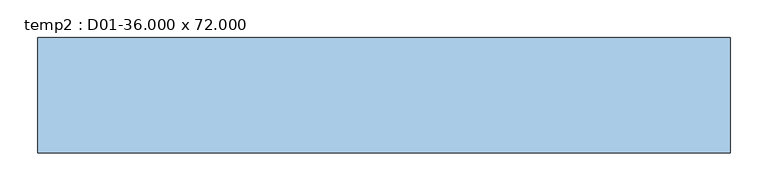
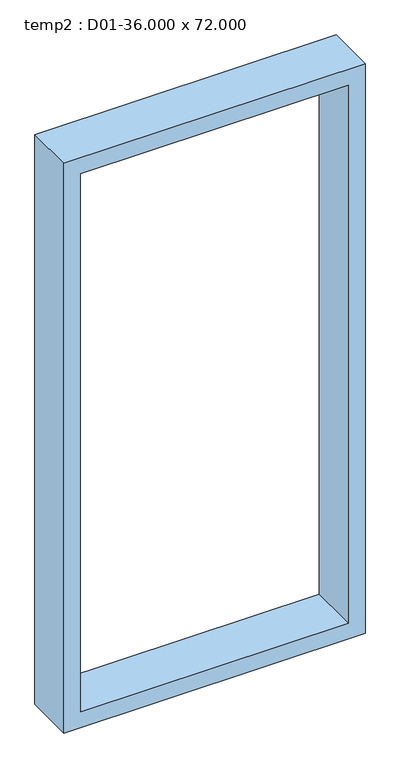
"""IFC4 building model written with IfcOpenShell, lengths in millimetres: window geometry, temp2 : D01-36.000 x 72.000."""

import ifcopenshell
import ifcopenshell.guid

model = None  # the IFC model being written
_history = None  # IfcOwnerHistory: only IFC2X3 demands one
_inside = {}  # id of a spatial element -> (the spatial element, [elements in it])
_under = {}  # id of a project, library or spatial element -> (it, [spatial elements below it])
_declared = {}  # id of a project -> (the project, [libraries it declares])
_typed = {}  # id of a type object -> (the type object, [elements of that type])
_made_of = {}  # id of a material, layer set ... -> (it, [elements and type objects made of it])


def new_model(schema):
    """Start an empty IFC model of exactly this schema.

    Asked for "IFC4X3", IfcOpenShell would pick the latest addendum, in which some entities
    have other attributes; the version numbers below select the first issue.
    IFC2X3 requires an IfcOwnerHistory on every rooted entity: one is made here for all.
    """
    global model, _history
    if schema == "IFC4X3":
        model = ifcopenshell.file(schema_version=(4, 3, 0, 0))
    else:
        model = ifcopenshell.file(schema=schema)
    _inside.clear()
    _under.clear()
    _declared.clear()
    _typed.clear()
    _made_of.clear()
    _history = None
    if model.schema == "IFC2X3":
        org = make("IfcOrganization", Name="unknown")
        user = make(
            "IfcPersonAndOrganization",
            ThePerson=make("IfcPerson", FamilyName="unknown"),
            TheOrganization=org,
        )
        app = make(
            "IfcApplication",
            ApplicationDeveloper=org,
            Version="unknown",
            ApplicationFullName="unknown",
            ApplicationIdentifier="unknown",
        )
        _history = make(
            "IfcOwnerHistory",
            OwningUser=user,
            OwningApplication=app,
            ChangeAction="ADDED",
            CreationDate=0,
        )
    return model


def make(cls, **values):
    """One entity of the class cls with the attributes given. An attribute that is None is left unset."""
    return model.create_entity(
        cls, **{name: value for name, value in values.items() if value is not None}
    )


def rooted(cls, **values):
    """An entity with a GlobalId (a new one), such as an element, a storey or a relation."""
    return make(cls, GlobalId=ifcopenshell.guid.new(), OwnerHistory=_history, **values)


def si_unit(unit_type, name, prefix=None):
    """IfcSIUnit, for example si_unit("LENGTHUNIT", "METRE", prefix="MILLI")."""
    return make("IfcSIUnit", UnitType=unit_type, Prefix=prefix, Name=name)


def assignment(units):
    """IfcUnitAssignment: the units of a project."""
    return None if units is None else make("IfcUnitAssignment", Units=units)


def point(xyz):
    """IfcCartesianPoint."""
    return None if xyz is None else make("IfcCartesianPoint", Coordinates=xyz)


def direction(xyz):
    """IfcDirection."""
    return None if xyz is None else make("IfcDirection", DirectionRatios=xyz)


def frame(location, z_axis=None, x_axis=None):
    """IfcAxis2Placement3D, a coordinate frame: its origin and axes. An axis left out is left unset."""
    return make(
        "IfcAxis2Placement3D",
        Location=point(location),
        Axis=direction(z_axis),
        RefDirection=direction(x_axis),
    )


def origin():
    """The frame at (0, 0, 0) with its axes left unset."""
    return frame((0.0, 0.0, 0.0))


def place(relative_to, where):
    """IfcLocalPlacement: puts the frame where relative to a parent placement (None: the world)."""
    return make(
        "IfcLocalPlacement", PlacementRelTo=relative_to, RelativePlacement=where
    )


def context(
    kind, dimensions, precision=None, world=None, true_north=None, identifier=None
):
    """IfcGeometricRepresentationContext, for example the 3D "Model" context."""
    return make(
        "IfcGeometricRepresentationContext",
        ContextIdentifier=identifier,
        ContextType=kind,
        CoordinateSpaceDimension=dimensions,
        Precision=precision,
        WorldCoordinateSystem=world,
        TrueNorth=true_north,
    )


def project(units=None, contexts=None):
    """IfcProject with its units and contexts."""
    return rooted(
        "IfcProject",
        Name="project",
        RepresentationContexts=contexts,
        UnitsInContext=assignment(units),
    )


def spatial(cls, under=None, at=None, **own):
    """A site, building, storey or space (cls), placed at a placement, below another one or the project."""
    s = rooted(cls, ObjectPlacement=at, **own)
    if under is not None:
        _under.setdefault(under.id(), (under, []))[1].append(s)
    return s


def polyline(points):
    """IfcPolyline through the points."""
    return make("IfcPolyline", Points=[point(p) for p in points])


def outline(outer, holes=None, kind="AREA"):
    """IfcArbitraryClosedProfileDef: a profile drawn as a closed curve; with holes, ...WithVoids."""
    if holes is None:
        return make("IfcArbitraryClosedProfileDef", ProfileType=kind, OuterCurve=outer)
    return make(
        "IfcArbitraryProfileDefWithVoids",
        ProfileType=kind,
        OuterCurve=outer,
        InnerCurves=holes,
    )


def extrude(swept, where, along, depth):
    """IfcExtrudedAreaSolid: the profile swept, set in the frame where, extruded along a direction by depth."""
    return make(
        "IfcExtrudedAreaSolid",
        SweptArea=swept,
        Position=where,
        ExtrudedDirection=direction(along),
        Depth=depth,
    )


def shape(context_of_items, identifier, shape_type, items):
    """IfcShapeRepresentation: the items that make up one representation, for example the "Body"."""
    return make(
        "IfcShapeRepresentation",
        ContextOfItems=context_of_items,
        RepresentationIdentifier=identifier,
        RepresentationType=shape_type,
        Items=items,
    )


def source(mapping_origin, context_of_items, identifier, shape_type, items):
    """IfcRepresentationMap: a shape defined once, which mapped items show again and again."""
    return make(
        "IfcRepresentationMap",
        MappingOrigin=mapping_origin,
        MappedRepresentation=shape(context_of_items, identifier, shape_type, items),
    )


def transform(
    local_origin,
    x_axis=None,
    y_axis=None,
    z_axis=None,
    scale=None,
    scale2=None,
    scale3=None,
    uniform=True,
):
    """IfcCartesianTransformationOperator3D, or its non-uniform kind. x_axis, y_axis, z_axis: its Axis1, 2, 3."""
    if uniform:
        return make(
            "IfcCartesianTransformationOperator3D",
            Axis1=direction(x_axis),
            Axis2=direction(y_axis),
            LocalOrigin=point(local_origin),
            Scale=scale,
            Axis3=direction(z_axis),
        )
    return make(
        "IfcCartesianTransformationOperator3DnonUniform",
        Axis1=direction(x_axis),
        Axis2=direction(y_axis),
        LocalOrigin=point(local_origin),
        Scale=scale,
        Axis3=direction(z_axis),
        Scale2=scale2,
        Scale3=scale3,
    )


def mapped(mapping_source, mapping_target):
    """IfcMappedItem: shows the shape of a source again, moved by a transform."""
    return make(
        "IfcMappedItem", MappingSource=mapping_source, MappingTarget=mapping_target
    )


def made_of(thing, what):
    """Note that an element or type object is made of a material, layer set ...; save() writes the relation."""
    if what is not None:
        _made_of.setdefault(what.id(), (what, []))[1].append(thing)
    return thing


def element(
    cls,
    number,
    at=None,
    inside=None,
    cuts=None,
    type_object=None,
    material=None,
    context=None,
    identifier="Body",
    shape_type=None,
    held_by="IfcProductDefinitionShape",
    body=None,
    shapes=None,
    **own,
):
    """One element of the class cls, such as IfcWall. Its Tag is "e" and its number.

    at: its placement. inside: the storey or other place that contains it. cuts: it is an
    opening in that element (IfcRelVoidsElement). A single representation is given by context,
    identifier, shape_type and body (its items); several are given by shapes. held_by: the class
    of the entity that holds the representations. save() writes the other relations.
    """
    e = rooted(cls, Tag="e%d" % number, ObjectPlacement=at, **own)
    if body is not None:
        shapes = [shape(context, identifier, shape_type, body)]
    if shapes is not None:
        e.Representation = make(held_by, Representations=shapes)
    if inside is not None:
        _inside.setdefault(inside.id(), (inside, []))[1].append(e)
    if cuts is not None:
        rooted(
            "IfcRelVoidsElement", RelatingBuildingElement=cuts, RelatedOpeningElement=e
        )
    if type_object is not None:
        _typed.setdefault(type_object.id(), (type_object, []))[1].append(e)
    return made_of(e, material)


def aggregate(whole, parts):
    """IfcRelAggregates: a whole, such as a stair, and the parts it consists of."""
    return rooted("IfcRelAggregates", RelatingObject=whole, RelatedObjects=parts)


def save(model, path):
    """Write the relations noted so far, then the file.

    IfcRelAggregates (storeys below a building ...), IfcRelContainedInSpatialStructure (elements
    in a storey), IfcRelDefinesByType, IfcRelAssociatesMaterial and IfcRelDeclares: one each for
    every whole, place, type object, material and project.
    """
    for whole, parts in _under.values():
        aggregate(whole, parts)
    for where, things in _inside.values():
        rooted(
            "IfcRelContainedInSpatialStructure",
            RelatedElements=things,
            RelatingStructure=where,
        )
    for kind, things in _typed.values():
        rooted("IfcRelDefinesByType", RelatedObjects=things, RelatingType=kind)
    for what, things in _made_of.values():
        rooted("IfcRelAssociatesMaterial", RelatedObjects=things, RelatingMaterial=what)
    for by, libraries in _declared.values():
        rooted("IfcRelDeclares", RelatingContext=by, RelatedDefinitions=libraries)
    model.write(path)


def temp2_d01_36_000_x_72_000_47f2f984(model_context):
    return source(origin(), model_context, "Body", "SweptSolid", [
        extrude(outline(polyline([(2743.2, -457.2), (914.4, -457.2), (914.4, 457.2), (2743.2, 457.2), (2743.2, -457.2)]), holes=[polyline([(965.2, -406.4), (2692.4, -406.4), (2692.4, 406.4), (965.2, 406.4), (965.2, -406.4)])]), frame((0.0, -203.2, 0.0), z_axis=(0.0, 1.0, 0.0), x_axis=(0.0, 0.0, 1.0)), (0.0, 0.0, 1.0), 152.4),
    ])


if __name__ == "__main__":
    model = new_model("IFC4")
    model_context = context("Model", 3, world=origin())
    ifc_project = project(units=[si_unit("LENGTHUNIT", "METRE", prefix="MILLI")], contexts=[model_context])
    site = spatial("IfcSite", under=ifc_project)
    building = spatial("IfcBuilding", under=site)
    placement = place(None, origin())
    temp2_d01_36_000_x_72_000_shape = temp2_d01_36_000_x_72_000_47f2f984(model_context)
    element("IfcWindow", 1, ObjectType="temp2 : D01-36.000 x 72.000", at=placement, inside=building, context=model_context, shape_type="MappedRepresentation", body=[
        mapped(temp2_d01_36_000_x_72_000_shape, transform((0.0, 0.0, 0.0), x_axis=(1.0, 0.0, 0.0), y_axis=(0.0, 1.0, 0.0), z_axis=(0.0, 0.0, 1.0))),
    ])
    save(model, "model.ifc")
